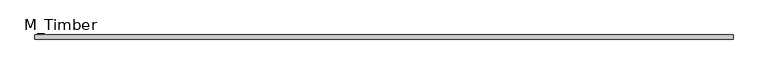
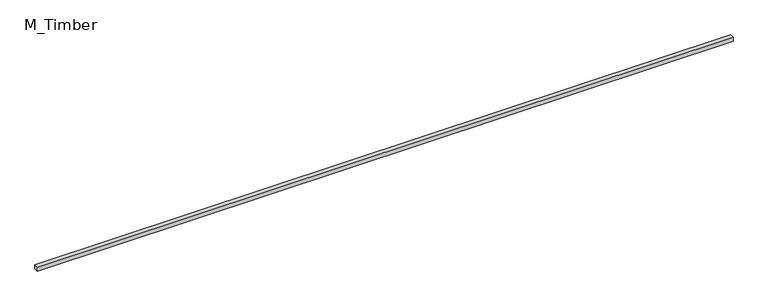
"""IFC4 building model written with IfcOpenShell, lengths in millimetres: beam geometry, M_Timber."""

from ifc_helpers import new_model, si_unit, frame, origin, place, context, project, spatial, polyline, outline, extrude, source, transform, mapped, element, save


def m_timber_a71bbf7b(model_context):
    return source(origin(), model_context, "Body", "SweptSolid", [
        extrude(outline(polyline([(5111.2982786, 30.0), (5111.2982786, -30.0), (-5111.2982786, -30.0), (-5111.2982786, 30.0), (5111.2982786, 30.0)])), frame((0.0, 0.0, -30.0), z_axis=(0.0, 0.0, 1.0), x_axis=(1.0, 0.0, 0.0)), (0.0, 0.0, 1.0), 60.0),
    ])


if __name__ == "__main__":
    model = new_model("IFC4")
    model_context = context("Model", 3, world=origin())
    ifc_project = project(units=[si_unit("LENGTHUNIT", "METRE", prefix="MILLI")], contexts=[model_context])
    site = spatial("IfcSite", under=ifc_project)
    building = spatial("IfcBuilding", under=site)
    placement = place(None, origin())
    m_timber_shape = m_timber_a71bbf7b(model_context)
    element("IfcBeam", 1, ObjectType="M_Timber", at=placement, inside=building, context=model_context, shape_type="MappedRepresentation", body=[
        mapped(m_timber_shape, transform((0.0, 0.0, 0.0), x_axis=(1.0, 0.0, 0.0), y_axis=(0.0, 1.0, 0.0), z_axis=(0.0, 0.0, 1.0))),
    ])
    save(model, "model.ifc")
